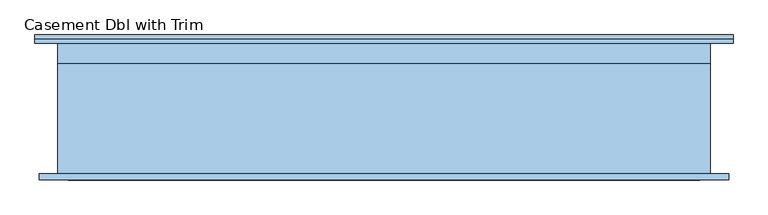
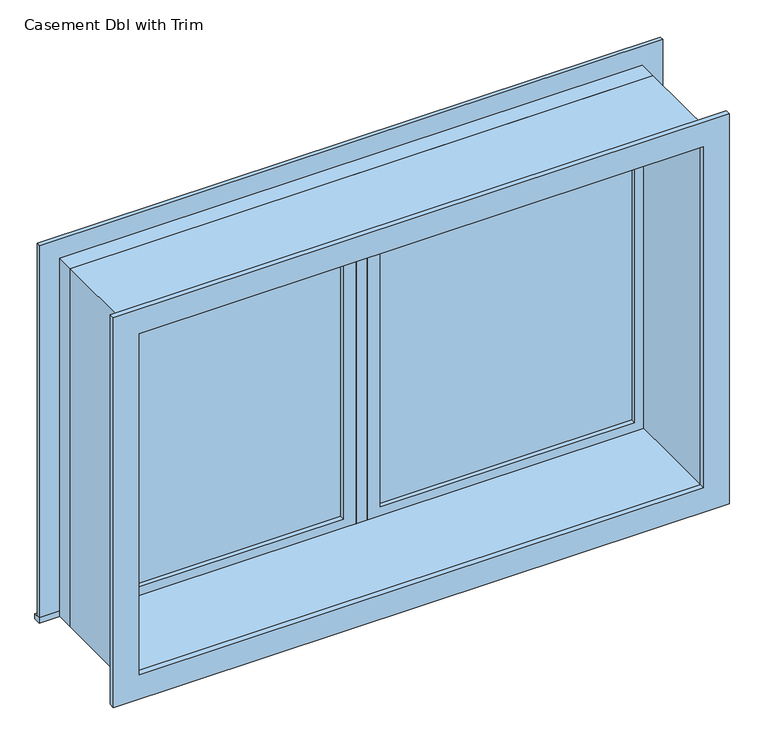
"""IFC4 building model written with IfcOpenShell, lengths in millimetres: window geometry, Casement Dbl with Trim."""

from ifc_helpers import new_model, si_unit, frame, origin, place, context, project, spatial, polyline, outline, extrude, source, transform, mapped, element, save


def casement_dbl_with_trim_0dbfc933(model_context):
    return source(origin(), model_context, "Body", "SweptSolid", [
        extrude(outline(polyline([(63.5, 184.125), (936.5, 184.125), (936.5, 171.425), (63.5, 171.425), (63.5, 184.125)])), frame((0.0, 0.0, 977.9), z_axis=(0.0, 0.0, 1.0), x_axis=(1.0, 0.0, 0.0)), (0.0, 0.0, 1.0), 1173.0),
        extrude(outline(polyline([(2195.35, 19.05), (933.45, 19.05), (933.45, 980.95), (2195.35, 980.95), (2195.35, 19.05)]), holes=[polyline([(2150.9, 63.5), (2150.9, 936.5), (977.9, 936.5), (977.9, 63.5), (2150.9, 63.5)])]), frame((0.0, 155.55, 0.0), z_axis=(0.0, 1.0, 0.0), x_axis=(0.0, 0.0, 1.0)), (0.0, 0.0, 1.0), 44.45),
        extrude(outline(polyline([(19.05, 155.55), (-19.05, 155.55), (-19.05, 219.05), (19.05, 219.05), (19.05, 155.55)])), frame((0.0, 0.0, 933.45), z_axis=(0.0, 0.0, 1.0), x_axis=(1.0, 0.0, 0.0)), (0.0, 0.0, 1.0), 1261.9),
        extrude(outline(polyline([(-1069.85, 244.45), (1069.85, 244.45), (1069.85, 219.05), (-1069.85, 219.05), (-1069.85, 244.45)])), frame((0.0, 0.0, 914.4), z_axis=(0.0, 0.0, 1.0), x_axis=(1.0, 0.0, 0.0)), (0.0, 0.0, 1.0), 19.05),
        extrude(outline(polyline([(2195.35, -980.95), (2195.35, 980.95), (933.45, 980.95), (933.45, 1069.85), (2284.25, 1069.85), (2284.25, -1069.85), (933.45, -1069.85), (933.45, -980.95), (2195.35, -980.95)])), frame((0.0, 219.05, 0.0), z_axis=(0.0, 1.0, 0.0), x_axis=(0.0, 0.0, 1.0)), (0.0, 0.0, 1.0), 12.7),
        extrude(outline(polyline([(2271.55, 1057.15), (2271.55, -1057.15), (857.25, -1057.15), (857.25, 1057.15), (2271.55, 1057.15)]), holes=[polyline([(2182.65, 968.25), (946.15, 968.25), (946.15, -968.25), (2182.65, -968.25), (2182.65, 968.25)])]), frame((0.0, -200.0, 0.0), z_axis=(0.0, 1.0, 0.0), x_axis=(0.0, 0.0, 1.0)), (0.0, 0.0, 1.0), 19.05),
        extrude(outline(polyline([(-63.5, 171.425), (-936.5, 171.425), (-936.5, 184.125), (-63.5, 184.125), (-63.5, 171.425)])), frame((0.0, 0.0, 977.9), z_axis=(0.0, 0.0, 1.0), x_axis=(1.0, 0.0, 0.0)), (0.0, 0.0, 1.0), 1173.0),
        extrude(outline(polyline([(2195.35, -980.95), (933.45, -980.95), (933.45, -19.05), (2195.35, -19.05), (2195.35, -980.95)]), holes=[polyline([(2150.9, -936.5), (2150.9, -63.5), (977.9, -63.5), (977.9, -936.5), (2150.9, -936.5)])]), frame((0.0, 155.55, 0.0), z_axis=(0.0, 1.0, 0.0), x_axis=(0.0, 0.0, 1.0)), (0.0, 0.0, 1.0), 44.45),
        extrude(outline(polyline([(2214.4, -1000.0), (914.4, -1000.0), (914.4, 1000.0), (2214.4, 1000.0), (2214.4, -1000.0)]), holes=[polyline([(2182.65, -968.25), (2182.65, 968.25), (946.15, 968.25), (946.15, -968.25), (2182.65, -968.25)])]), frame((0.0, -180.95, 0.0), z_axis=(0.0, 1.0, 0.0), x_axis=(0.0, 0.0, 1.0)), (0.0, 0.0, 1.0), 336.5),
        extrude(outline(polyline([(2214.4, 1000.0), (2214.4, -1000.0), (914.4, -1000.0), (914.4, 1000.0), (2214.4, 1000.0)]), holes=[polyline([(2195.35, 980.95), (933.45, 980.95), (933.45, -980.95), (2195.35, -980.95), (2195.35, 980.95)])]), frame((0.0, 155.55, 0.0), z_axis=(0.0, 1.0, 0.0), x_axis=(0.0, 0.0, 1.0)), (0.0, 0.0, 1.0), 63.5),
    ])


if __name__ == "__main__":
    model = new_model("IFC4")
    model_context = context("Model", 3, world=origin())
    ifc_project = project(units=[si_unit("LENGTHUNIT", "METRE", prefix="MILLI")], contexts=[model_context])
    site = spatial("IfcSite", under=ifc_project)
    building = spatial("IfcBuilding", under=site)
    placement = place(None, origin())
    casement_dbl_with_trim_shape = casement_dbl_with_trim_0dbfc933(model_context)
    element("IfcWindow", 1, ObjectType="Casement Dbl with Trim", at=placement, inside=building, context=model_context, shape_type="MappedRepresentation", body=[
        mapped(casement_dbl_with_trim_shape, transform((0.0, 0.0, 0.0), x_axis=(1.0, 0.0, 0.0), y_axis=(0.0, 1.0, 0.0), z_axis=(0.0, 0.0, 1.0))),
    ])
    save(model, "model.ifc")
